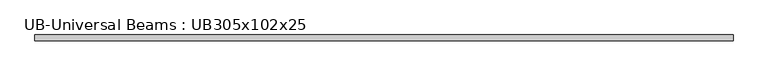
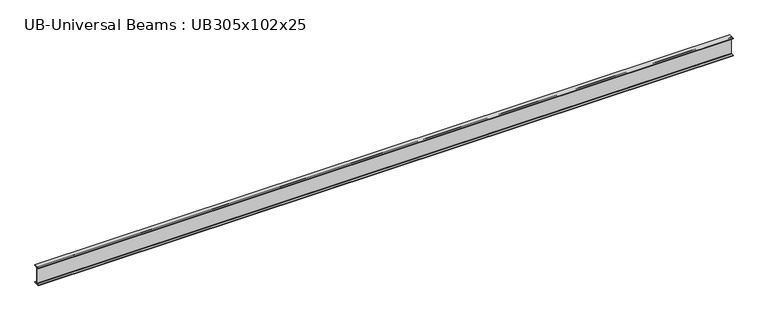
"""IFC4 building model written with IfcOpenShell, lengths in millimetres: beam geometry, UB-Universal Beams : UB305x102x25."""

from ifc_helpers import new_model, si_unit, point, frame, frame_2d, origin, place, context, project, spatial, polyline, circle_curve, trimmed, segment, composite_curve, outline, extrude, source, transform, mapped, element, save


def ub_universal_beams_ub305x102x25_b13952ea(model_context):
    return source(origin(), model_context, "Body", "SweptSolid", [
        extrude(outline(composite_curve([segment(polyline([(50.8, -145.55), (50.8, -152.55), (-50.8, -152.55), (-50.8, -145.55), (-10.5, -145.55)]), True, "CONTINUOUS"), segment(trimmed(circle_curve(frame_2d((-10.5, -137.95)), 7.6), [point((-10.5, -145.55))], [point((-2.9, -137.95))], True, "CARTESIAN"), True, "CONTINUOUS"), segment(polyline([(-2.9, -137.95), (-2.9, 137.95)]), True, "CONTINUOUS"), segment(trimmed(circle_curve(frame_2d((-10.5, 137.95)), 7.6), [point((-2.9, 137.95))], [point((-10.5, 145.55))], True, "CARTESIAN"), True, "CONTINUOUS"), segment(polyline([(-10.5, 145.55), (-50.8, 145.55), (-50.8, 152.55), (50.8, 152.55), (50.8, 145.55), (10.5, 145.55)]), True, "CONTINUOUS"), segment(trimmed(circle_curve(frame_2d((10.5, 137.95)), 7.6), [point((10.5, 145.55))], [point((2.9, 137.95))], True, "CARTESIAN"), True, "CONTINUOUS"), segment(polyline([(2.9, 137.95), (2.9, -137.95)]), True, "CONTINUOUS"), segment(trimmed(circle_curve(frame_2d((10.5, -137.95)), 7.6), [point((2.9, -137.95))], [point((10.5, -145.55))], True, "CARTESIAN"), True, "CONTINUOUS"), segment(polyline([(10.5, -145.55), (50.8, -145.55)]), True, "CONTINUOUS")], self_intersect=False)), frame((-5878.6, 0.0, 0.0), z_axis=(1.0, 0.0, 0.0), x_axis=(0.0, 1.0, 0.0)), (0.0, 0.0, 1.0), 11653.6),
    ])


if __name__ == "__main__":
    model = new_model("IFC4")
    model_context = context("Model", 3, world=origin())
    ifc_project = project(units=[si_unit("LENGTHUNIT", "METRE", prefix="MILLI")], contexts=[model_context])
    site = spatial("IfcSite", under=ifc_project)
    building = spatial("IfcBuilding", under=site)
    placement = place(None, origin())
    ub_universal_beams_ub305x102x25_shape = ub_universal_beams_ub305x102x25_b13952ea(model_context)
    element("IfcBeam", 1, ObjectType="UB-Universal Beams : UB305x102x25", at=placement, inside=building, context=model_context, shape_type="MappedRepresentation", body=[
        mapped(ub_universal_beams_ub305x102x25_shape, transform((0.0, 0.0, 0.0), x_axis=(1.0, 0.0, 0.0), y_axis=(0.0, 1.0, 0.0), z_axis=(0.0, 0.0, 1.0))),
    ])
    save(model, "model.ifc")
